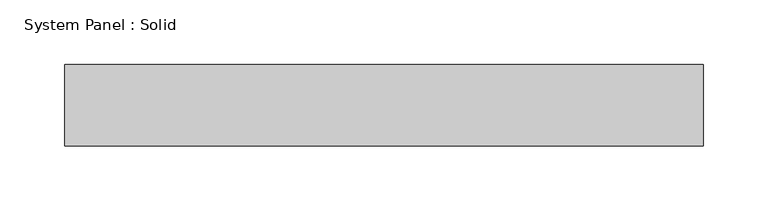
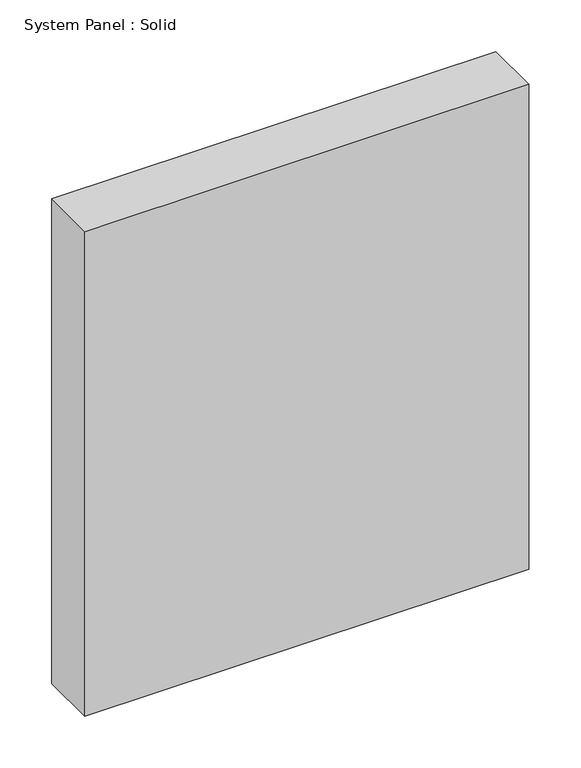
"""IFC4 building model written with IfcOpenShell, lengths in millimetres: plate geometry, System Panel : Solid."""

from ifc_helpers import new_model, si_unit, origin, origin_with_axes, place, context, project, spatial, polyline, outline, extrude, source, transform, mapped, element, save


def system_panel_solid_fe32a9fb(model_context):
    return source(origin(), model_context, "Body", "SweptSolid", [
        extrude(outline(polyline([(247.65, -19.05), (-247.65, -19.05), (-247.65, 44.45), (247.65, 44.45), (247.65, -19.05)])), origin_with_axes(), (0.0, 0.0, 1.0), 571.5),
    ])


if __name__ == "__main__":
    model = new_model("IFC4")
    model_context = context("Model", 3, world=origin())
    ifc_project = project(units=[si_unit("LENGTHUNIT", "METRE", prefix="MILLI")], contexts=[model_context])
    site = spatial("IfcSite", under=ifc_project)
    building = spatial("IfcBuilding", under=site)
    placement = place(None, origin())
    system_panel_solid_shape = system_panel_solid_fe32a9fb(model_context)
    element("IfcPlate", 1, ObjectType="System Panel : Solid", at=placement, inside=building, context=model_context, shape_type="MappedRepresentation", body=[
        mapped(system_panel_solid_shape, transform((0.0, 0.0, 0.0), x_axis=(1.0, 0.0, 0.0), y_axis=(0.0, 1.0, 0.0), z_axis=(0.0, 0.0, 1.0))),
    ])
    save(model, "model.ifc")
